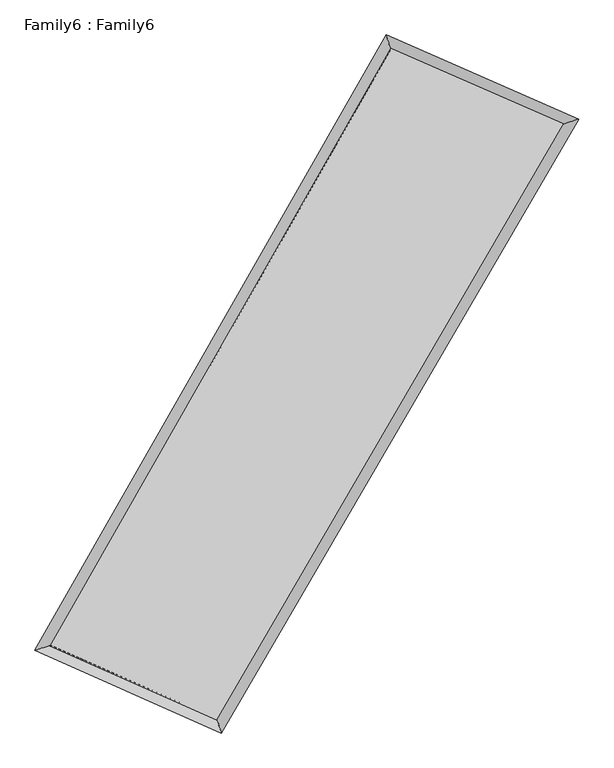
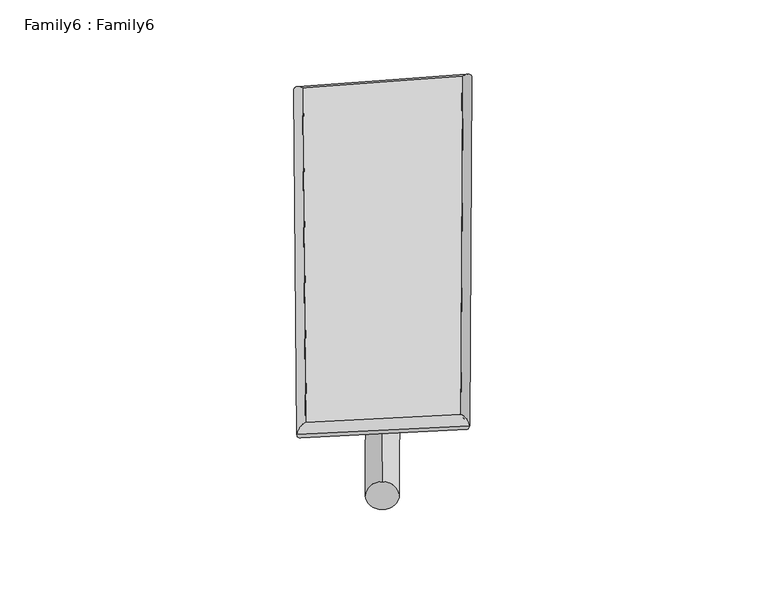
"""IFC4 building model written with IfcOpenShell, lengths in millimetres: plate geometry, Family6 : Family6."""

import ifcopenshell
import ifcopenshell.guid

model = None  # the IFC model being written
_history = None  # IfcOwnerHistory: only IFC2X3 demands one
_inside = {}  # id of a spatial element -> (the spatial element, [elements in it])
_under = {}  # id of a project, library or spatial element -> (it, [spatial elements below it])
_declared = {}  # id of a project -> (the project, [libraries it declares])
_typed = {}  # id of a type object -> (the type object, [elements of that type])
_made_of = {}  # id of a material, layer set ... -> (it, [elements and type objects made of it])


def new_model(schema):
    """Start an empty IFC model of exactly this schema.

    Asked for "IFC4X3", IfcOpenShell would pick the latest addendum, in which some entities
    have other attributes; the version numbers below select the first issue.
    IFC2X3 requires an IfcOwnerHistory on every rooted entity: one is made here for all.
    """
    global model, _history
    if schema == "IFC4X3":
        model = ifcopenshell.file(schema_version=(4, 3, 0, 0))
    else:
        model = ifcopenshell.file(schema=schema)
    _inside.clear()
    _under.clear()
    _declared.clear()
    _typed.clear()
    _made_of.clear()
    _history = None
    if model.schema == "IFC2X3":
        org = make("IfcOrganization", Name="unknown")
        user = make(
            "IfcPersonAndOrganization",
            ThePerson=make("IfcPerson", FamilyName="unknown"),
            TheOrganization=org,
        )
        app = make(
            "IfcApplication",
            ApplicationDeveloper=org,
            Version="unknown",
            ApplicationFullName="unknown",
            ApplicationIdentifier="unknown",
        )
        _history = make(
            "IfcOwnerHistory",
            OwningUser=user,
            OwningApplication=app,
            ChangeAction="ADDED",
            CreationDate=0,
        )
    return model


def make(cls, **values):
    """One entity of the class cls with the attributes given. An attribute that is None is left unset."""
    return model.create_entity(
        cls, **{name: value for name, value in values.items() if value is not None}
    )


def rooted(cls, **values):
    """An entity with a GlobalId (a new one), such as an element, a storey or a relation."""
    return make(cls, GlobalId=ifcopenshell.guid.new(), OwnerHistory=_history, **values)


def si_unit(unit_type, name, prefix=None):
    """IfcSIUnit, for example si_unit("LENGTHUNIT", "METRE", prefix="MILLI")."""
    return make("IfcSIUnit", UnitType=unit_type, Prefix=prefix, Name=name)


def assignment(units):
    """IfcUnitAssignment: the units of a project."""
    return None if units is None else make("IfcUnitAssignment", Units=units)


def point(xyz):
    """IfcCartesianPoint."""
    return None if xyz is None else make("IfcCartesianPoint", Coordinates=xyz)


def direction(xyz):
    """IfcDirection."""
    return None if xyz is None else make("IfcDirection", DirectionRatios=xyz)


def frame(location, z_axis=None, x_axis=None):
    """IfcAxis2Placement3D, a coordinate frame: its origin and axes. An axis left out is left unset."""
    return make(
        "IfcAxis2Placement3D",
        Location=point(location),
        Axis=direction(z_axis),
        RefDirection=direction(x_axis),
    )


def frame_2d(location, x_axis=None):
    """IfcAxis2Placement2D, a coordinate frame in the plane: its origin and x axis."""
    return make(
        "IfcAxis2Placement2D", Location=point(location), RefDirection=direction(x_axis)
    )


def origin():
    """The frame at (0, 0, 0) with its axes left unset."""
    return frame((0.0, 0.0, 0.0))


def origin_2d():
    """The frame at (0, 0) in the plane with its x axis left unset."""
    return frame_2d((0.0, 0.0))


def place(relative_to, where):
    """IfcLocalPlacement: puts the frame where relative to a parent placement (None: the world)."""
    return make(
        "IfcLocalPlacement", PlacementRelTo=relative_to, RelativePlacement=where
    )


def context(
    kind, dimensions, precision=None, world=None, true_north=None, identifier=None
):
    """IfcGeometricRepresentationContext, for example the 3D "Model" context."""
    return make(
        "IfcGeometricRepresentationContext",
        ContextIdentifier=identifier,
        ContextType=kind,
        CoordinateSpaceDimension=dimensions,
        Precision=precision,
        WorldCoordinateSystem=world,
        TrueNorth=true_north,
    )


def project(units=None, contexts=None):
    """IfcProject with its units and contexts."""
    return rooted(
        "IfcProject",
        Name="project",
        RepresentationContexts=contexts,
        UnitsInContext=assignment(units),
    )


def spatial(cls, under=None, at=None, **own):
    """A site, building, storey or space (cls), placed at a placement, below another one or the project."""
    s = rooted(cls, ObjectPlacement=at, **own)
    if under is not None:
        _under.setdefault(under.id(), (under, []))[1].append(s)
    return s


def circle_curve(where, radius):
    """IfcCircle in the frame where."""
    return make("IfcCircle", Position=where, Radius=radius)


def ellipse_curve(where, semi_axis1, semi_axis2):
    """IfcEllipse in the frame where."""
    return make(
        "IfcEllipse", Position=where, SemiAxis1=semi_axis1, SemiAxis2=semi_axis2
    )


def trimmed(basis, trim1, trim2, sense, master):
    """IfcTrimmedCurve: the piece of a basis curve between two trims."""
    return make(
        "IfcTrimmedCurve",
        BasisCurve=basis,
        Trim1=trim1,
        Trim2=trim2,
        SenseAgreement=sense,
        MasterRepresentation=master,
    )


def segment(curve, same_sense, transition):
    """IfcCompositeCurveSegment."""
    return make(
        "IfcCompositeCurveSegment",
        Transition=transition,
        SameSense=same_sense,
        ParentCurve=curve,
    )


def composite_curve(segments, self_intersect=None):
    """IfcCompositeCurve: segments joined end to end."""
    return make("IfcCompositeCurve", Segments=segments, SelfIntersect=self_intersect)


def outline(outer, holes=None, kind="AREA"):
    """IfcArbitraryClosedProfileDef: a profile drawn as a closed curve; with holes, ...WithVoids."""
    if holes is None:
        return make("IfcArbitraryClosedProfileDef", ProfileType=kind, OuterCurve=outer)
    return make(
        "IfcArbitraryProfileDefWithVoids",
        ProfileType=kind,
        OuterCurve=outer,
        InnerCurves=holes,
    )


def extrude(swept, where, along, depth):
    """IfcExtrudedAreaSolid: the profile swept, set in the frame where, extruded along a direction by depth."""
    return make(
        "IfcExtrudedAreaSolid",
        SweptArea=swept,
        Position=where,
        ExtrudedDirection=direction(along),
        Depth=depth,
    )


def shape(context_of_items, identifier, shape_type, items):
    """IfcShapeRepresentation: the items that make up one representation, for example the "Body"."""
    return make(
        "IfcShapeRepresentation",
        ContextOfItems=context_of_items,
        RepresentationIdentifier=identifier,
        RepresentationType=shape_type,
        Items=items,
    )


def source(mapping_origin, context_of_items, identifier, shape_type, items):
    """IfcRepresentationMap: a shape defined once, which mapped items show again and again."""
    return make(
        "IfcRepresentationMap",
        MappingOrigin=mapping_origin,
        MappedRepresentation=shape(context_of_items, identifier, shape_type, items),
    )


def transform(
    local_origin,
    x_axis=None,
    y_axis=None,
    z_axis=None,
    scale=None,
    scale2=None,
    scale3=None,
    uniform=True,
):
    """IfcCartesianTransformationOperator3D, or its non-uniform kind. x_axis, y_axis, z_axis: its Axis1, 2, 3."""
    if uniform:
        return make(
            "IfcCartesianTransformationOperator3D",
            Axis1=direction(x_axis),
            Axis2=direction(y_axis),
            LocalOrigin=point(local_origin),
            Scale=scale,
            Axis3=direction(z_axis),
        )
    return make(
        "IfcCartesianTransformationOperator3DnonUniform",
        Axis1=direction(x_axis),
        Axis2=direction(y_axis),
        LocalOrigin=point(local_origin),
        Scale=scale,
        Axis3=direction(z_axis),
        Scale2=scale2,
        Scale3=scale3,
    )


def mapped(mapping_source, mapping_target):
    """IfcMappedItem: shows the shape of a source again, moved by a transform."""
    return make(
        "IfcMappedItem", MappingSource=mapping_source, MappingTarget=mapping_target
    )


def made_of(thing, what):
    """Note that an element or type object is made of a material, layer set ...; save() writes the relation."""
    if what is not None:
        _made_of.setdefault(what.id(), (what, []))[1].append(thing)
    return thing


def element(
    cls,
    number,
    at=None,
    inside=None,
    cuts=None,
    type_object=None,
    material=None,
    context=None,
    identifier="Body",
    shape_type=None,
    held_by="IfcProductDefinitionShape",
    body=None,
    shapes=None,
    **own,
):
    """One element of the class cls, such as IfcWall. Its Tag is "e" and its number.

    at: its placement. inside: the storey or other place that contains it. cuts: it is an
    opening in that element (IfcRelVoidsElement). A single representation is given by context,
    identifier, shape_type and body (its items); several are given by shapes. held_by: the class
    of the entity that holds the representations. save() writes the other relations.
    """
    e = rooted(cls, Tag="e%d" % number, ObjectPlacement=at, **own)
    if body is not None:
        shapes = [shape(context, identifier, shape_type, body)]
    if shapes is not None:
        e.Representation = make(held_by, Representations=shapes)
    if inside is not None:
        _inside.setdefault(inside.id(), (inside, []))[1].append(e)
    if cuts is not None:
        rooted(
            "IfcRelVoidsElement", RelatingBuildingElement=cuts, RelatedOpeningElement=e
        )
    if type_object is not None:
        _typed.setdefault(type_object.id(), (type_object, []))[1].append(e)
    return made_of(e, material)


def aggregate(whole, parts):
    """IfcRelAggregates: a whole, such as a stair, and the parts it consists of."""
    return rooted("IfcRelAggregates", RelatingObject=whole, RelatedObjects=parts)


def save(model, path):
    """Write the relations noted so far, then the file.

    IfcRelAggregates (storeys below a building ...), IfcRelContainedInSpatialStructure (elements
    in a storey), IfcRelDefinesByType, IfcRelAssociatesMaterial and IfcRelDeclares: one each for
    every whole, place, type object, material and project.
    """
    for whole, parts in _under.values():
        aggregate(whole, parts)
    for where, things in _inside.values():
        rooted(
            "IfcRelContainedInSpatialStructure",
            RelatedElements=things,
            RelatingStructure=where,
        )
    for kind, things in _typed.values():
        rooted("IfcRelDefinesByType", RelatedObjects=things, RelatingType=kind)
    for what, things in _made_of.values():
        rooted("IfcRelAssociatesMaterial", RelatedObjects=things, RelatingMaterial=what)
    for by, libraries in _declared.values():
        rooted("IfcRelDeclares", RelatingContext=by, RelatedDefinitions=libraries)
    model.write(path)


def plane_surface(at):
    """IfcPlane: the flat surface through the origin of the frame at, square to its z axis."""
    return make("IfcPlane", Position=at)


def cylinder_surface(at, radius):
    """IfcCylindricalSurface: all points at the distance radius from the z axis of the frame at."""
    return make("IfcCylindricalSurface", Position=at, Radius=radius)


def spline_surface(u_degree, v_degree, points, u_multiplicities, v_multiplicities, u_knots, v_knots, weights=None):
    """IfcBSplineSurfaceWithKnots; with weights, IfcRationalBSplineSurfaceWithKnots. points: one row for each step in u."""
    own = dict(
        UDegree=u_degree,
        VDegree=v_degree,
        ControlPointsList=[[point(p) for p in row] for row in points],
        SurfaceForm="UNSPECIFIED",
        UClosed=False,
        VClosed=False,
        SelfIntersect=False,
        UMultiplicities=u_multiplicities,
        VMultiplicities=v_multiplicities,
        UKnots=u_knots,
        VKnots=v_knots,
        KnotSpec="UNSPECIFIED",
    )
    if weights is None:
        return make("IfcBSplineSurfaceWithKnots", **own)
    return make("IfcRationalBSplineSurfaceWithKnots", WeightsData=weights, **own)


def advanced_brep(points, edges, surfaces, faces):
    """IfcAdvancedBrep: a solid bounded by faces that lie on surfaces and meet in shared edges.

    An edge is (start, end): straight between two places in points (the first is 0);
    or (start, end, curve); or (start, end, curve, False) where it runs against its curve.
    A face is (place in surfaces, loops), or (place, loops, False) where it looks against
    its surface's normal. A loop lists edges by number (the first is 1), with a minus sign
    where the edge is run from its end to its start. The first loop is the outer one.
    """
    corners = [point(p) for p in points]
    vertices = [make("IfcVertexPoint", VertexGeometry=c) for c in corners]
    made = []
    for start, end, *more in edges:
        made.append(
            make(
                "IfcEdgeCurve",
                EdgeStart=vertices[start],
                EdgeEnd=vertices[end],
                EdgeGeometry=more[0] if more else make("IfcPolyline", Points=[corners[start], corners[end]]),
                SameSense=more[1] if len(more) > 1 else True,
            )
        )
    hull = []
    for where, loops, *sense in faces:
        bounds = []
        for j, loop in enumerate(loops):
            ring = [make("IfcOrientedEdge", EdgeElement=made[abs(k) - 1], Orientation=k > 0) for k in loop]
            bounds.append(
                make(
                    "IfcFaceOuterBound" if j == 0 else "IfcFaceBound",
                    Bound=make("IfcEdgeLoop", EdgeList=ring),
                    Orientation=True,
                )
            )
        hull.append(make("IfcAdvancedFace", Bounds=bounds, FaceSurface=surfaces[where], SameSense=sense[0] if sense else True))
    return make("IfcAdvancedBrep", Outer=make("IfcClosedShell", CfsFaces=hull))


def family6_family6_de30cf37(model_context):
    return source(origin(), model_context, "Body", "SolidModel", [
        extrude(outline(composite_curve([segment(trimmed(circle_curve(origin_2d(), 76.2), [point((-75.4341514, -10.7763074))], [point((75.4341514, 10.7763074))], False, "CARTESIAN"), True, "CONTINUOUS"), segment(trimmed(circle_curve(origin_2d(), 76.2), [point((75.4341514, 10.7763074))], [point((-75.4341514, -10.7763074))], False, "CARTESIAN"), True, "CONTINUOUS")], self_intersect=False)), frame((9144.0, 9144.0, 0.0), z_axis=(0.6801294100408114, 0.6834642780209633, 0.26514253952698963), x_axis=(-0.675051218881186, 0.7249280197168531, -0.1370591774250349)), (0.0, 0.0, 1.0), 5811.6148885),
        extrude(outline(composite_curve([segment(trimmed(circle_curve(origin_2d(), 76.2), [point((-53.8815367, 53.8815367))], [point((53.8815367, -53.8815367))], False, "CARTESIAN"), True, "CONTINUOUS"), segment(trimmed(circle_curve(origin_2d(), 76.2), [point((53.8815367, -53.8815367))], [point((-53.8815367, 53.8815367))], False, "CARTESIAN"), True, "CONTINUOUS")], self_intersect=False)), frame((9144.0, 9144.0, 0.0), z_axis=(-0.6748264453248473, -0.6882417885128828, 0.26633157761485854), x_axis=(0.6378447384304937, -0.3624434897051357, 0.6795504443578109)), (0.0, 0.0, 1.0), 5786.6963681),
        extrude(outline(composite_curve([segment(trimmed(circle_curve(origin_2d(), 76.2), [point((-53.8815367, -53.8815368))], [point((53.8815367, 53.8815368))], False, "CARTESIAN"), True, "CONTINUOUS"), segment(trimmed(circle_curve(origin_2d(), 76.2), [point((53.8815367, 53.8815368))], [point((-53.8815367, -53.8815368))], False, "CARTESIAN"), True, "CONTINUOUS")], self_intersect=False)), frame((9144.0, 9144.0, 0.0), z_axis=(0.2355307438708364, 0.9325914944024641, 0.27349291263180736), x_axis=(-0.8468423169529418, 0.335011297468213, -0.41306842143455835)), (0.0, 0.0, 1.0), 5504.0286964),
        extrude(outline(composite_curve([segment(trimmed(circle_curve(origin_2d(), 76.2), [point((-75.4341514, 10.7763074))], [point((75.4341514, -10.7763074))], False, "CARTESIAN"), True, "CONTINUOUS"), segment(trimmed(circle_curve(origin_2d(), 76.2), [point((75.4341514, -10.7763074))], [point((-75.4341514, 10.7763074))], False, "CARTESIAN"), True, "CONTINUOUS")], self_intersect=False)), frame((9144.0, 9144.0, 0.0), z_axis=(-0.2436328214088323, -0.9305341046648342, 0.27340323404815026), x_axis=(0.8874209648355212, -0.10014356044839119, 0.4499503288932148)), (0.0, 0.0, 1.0), 5503.7486329),
        advanced_brep(
        [(5023.1405959, 5090.5324635, 1538.8887493), (5023.1084596, 5090.4795458, 1544.5319131), (5454.8279236, 5232.1750206, 1543.4711964), (10504.8284173, 14082.5257912, 1508.6479548), (10375.907529, 14471.4949032, 1501.977724), (5454.8600599, 5232.2279383, 1537.8280327), (12878.8975572, 13044.8932709, 1540.4598637), (13314.4028538, 13187.1690769, 1541.3527969), (7740.1184281, 4217.2974626, 1505.353509), (7866.0939564, 3827.8509245, 1504.1318423)],
        [
            (0, 1, ellipse_curve(frame((5238.9842598, 5161.3537421, 1541.1799729), z_axis=(-0.3118212182811548, 0.9501140126214331, 0.007133782310661228), x_axis=(-0.9500555055463008, -0.3118850372924408, 0.011057119618405225)), 227.2391038, 152.4)),
            (1, 2, ellipse_curve(frame((5238.9842598, 5161.3537421, 1541.1799729), z_axis=(-0.3118212182811548, 0.9501140126214331, 0.007133782310661228), x_axis=(-0.9500555055463008, -0.3118850372924408, 0.011057119618405225)), 227.2391038, 152.4)),
            (2, 3),
            (3, 4, ellipse_curve(frame((10440.3679732, 14277.0103472, 1505.3128394), z_axis=(-0.9491730252384102, -0.3146984087961437, -0.0059564805833362145), x_axis=(0.31461593671177257, -0.9491464654451911, 0.011738803170447221)), 204.9175757, 152.4)),
            (4, 0),
            (2, 5, ellipse_curve(frame((5238.9842598, 5161.3537421, 1541.1799729), z_axis=(-0.3118212182811548, 0.9501140126214331, 0.007133782310661228), x_axis=(-0.9500555055463008, -0.3118850372924408, 0.011057119618405225)), 227.2391038, 152.4)),
            (5, 0, ellipse_curve(frame((5238.9842598, 5161.3537421, 1541.1799729), z_axis=(-0.3118212182811548, 0.9501140126214331, 0.007133782310661228), x_axis=(-0.9500555055463008, -0.3118850372924408, 0.011057119618405225)), 227.2391038, 152.4)),
            (4, 3, ellipse_curve(frame((10440.3679732, 14277.0103472, 1505.3128394), z_axis=(-0.9491730252384102, -0.3146984087961437, -0.0059564805833362145), x_axis=(0.31461593671177257, -0.9491464654451911, 0.011738803170447221)), 204.9175757, 152.4)),
            (3, 6),
            (6, 7, ellipse_curve(frame((13096.6502055, 13116.0311739, 1540.9063303), z_axis=(-0.3105206691113859, 0.9505434052674786, -0.006644453109427644), x_axis=(-0.9504900369904071, -0.3105767957291705, -0.010523475498878596)), 229.0892331, 152.4)),
            (7, 4),
            (7, 6, ellipse_curve(frame((13096.6502055, 13116.0311739, 1540.9063303), z_axis=(-0.3105206691113859, 0.9505434052674786, -0.006644453109427644), x_axis=(-0.9504900369904071, -0.3105767957291705, -0.010523475498878596)), 229.0892331, 152.4)),
            (6, 8),
            (8, 9, ellipse_curve(frame((7803.1061922, 4022.5741936, 1504.7426756), z_axis=(0.9514347239936783, 0.30778377435705573, -0.006412037242434821), x_axis=(-0.3076917530552372, 0.9514065574482067, 0.012302339059991485)), 204.6653493, 152.4)),
            (9, 7),
            (9, 8, ellipse_curve(frame((7803.1061922, 4022.5741936, 1504.7426756), z_axis=(0.9514347239936783, 0.30778377435705573, -0.006412037242434821), x_axis=(-0.3076917530552372, 0.9514065574482067, 0.012302339059991485)), 204.6653493, 152.4)),
            (8, 5),
            (1, 9),
        ],
        [
            cylinder_surface(frame((5238.9842598, 5161.3537421, 1541.1799729), z_axis=(-0.49559272104171925, -0.8685483152120523, 0.003417454135837803), x_axis=(-0.8684315438631826, 0.4954520716252638, -0.01881218609423059)), 152.4),
            cylinder_surface(frame((10440.3679732, 14277.0103472, 1505.3128394), z_axis=(-0.9162331663544839, 0.4004573049885041, -0.012277286075556728), x_axis=(0.40058597018772785, 0.9161949517823881, -0.010848539866021337)), 152.4),
            cylinder_surface(frame((13096.6502055, 13116.0311739, 1540.9063303), z_axis=(0.5030897869422277, 0.8642273160193557, 0.003436934739747514), x_axis=(0.8642336524356841, -0.5030897869422277, -0.0009275085452808553)), 152.4),
            cylinder_surface(frame((7803.1061922, 4022.5741936, 1504.7426756), z_axis=(0.9138442707945149, -0.4058571290719107, -0.012986127888958927), x_axis=(-0.40578895144824983, -0.913934946031429, 0.007631599115469094)), 152.4),
        ],
        [
            (0, [[1, 2, 3, 4, 5]]),
            (0, [[6, 7, -5, 8, -3]]),
            (1, [[-4, 9, 10, 11]]),
            (1, [[-8, -11, 12, -9]]),
            (2, [[-10, 13, 14, 15]]),
            (2, [[-12, -15, 16, -13]]),
            (3, [[-14, 17, -6, -2, 18]]),
            (3, [[-16, -18, -1, -7, -17]]),
        ],
    ),
        extrude(outline(composite_curve([segment(trimmed(circle_curve(origin_2d(), 304.8), [point((0.0, 304.8))], [point((0.0, -304.8))], False, "CARTESIAN"), True, "CONTINUOUS"), segment(trimmed(circle_curve(origin_2d(), 304.8), [point((0.0, -304.8))], [point((0.0, 304.8))], False, "CARTESIAN"), True, "CONTINUOUS")], self_intersect=False)), frame((11794.342027, 13708.9527039, -0.0159313), z_axis=(-0.5020964599303707, -0.8648116239484067, 3.018125701641634e-06), x_axis=(-0.8648116239532916, 0.5020964599303708, -8.126237583239436e-07)), (0.0, 0.0, 1.0), 10557.1030211),
        advanced_brep(
        [(5238.9842598, 5161.3537421, 1541.1799729), (7803.1061922, 4022.5741936, 1504.7426756), (7803.0979071, 4022.5760012, 1657.1426754), (5238.9759746, 5161.3555497, 1693.5799726), (13096.6502055, 13116.0311739, 1540.9063303), (13096.6419204, 13116.0329816, 1693.3063301), (10440.3679732, 14277.0103472, 1505.3128394), (10440.359688, 14277.0121549, 1657.7128392)],
        [
            (0, 1),
            (1, 2),
            (2, 3),
            (3, 0),
            (1, 4),
            (4, 5),
            (5, 2),
            (4, 6),
            (6, 7),
            (7, 5),
            (6, 0),
            (3, 7),
        ],
        [
            plane_surface(frame((6521.045226, 4591.9639678, 1522.9613243), z_axis=(-0.40589148839250433, -0.9139212764371448, -1.1225765941670456e-05), x_axis=(0.9138442707945145, -0.4058571290719111, -0.01298612788895892))),
            plane_surface(frame((10449.8781989, 8569.3026837, 1522.824503), z_axis=(0.8642323276466753, -0.5030929149238892, 5.295086716748773e-05), x_axis=(0.5030897869422281, 0.8642273160193552, 0.0034369347397475193))),
            plane_surface(frame((11768.5090893, 13696.5207606, 1523.1095848), z_axis=(0.4004873665198866, 0.916302280439744, 1.0903731941682218e-05), x_axis=(-0.9162331663544838, 0.40045730498850446, -0.01227728607555673))),
            plane_surface(frame((7839.6761165, 9719.1820446, 1523.2464061), z_axis=(-0.8685534758462206, 0.4955954567751535, -5.3096854368327694e-05), x_axis=(-0.49559272104171914, -0.8685483152120521, 0.003417454135837804))),
            spline_surface(1, 1, [[(7803.0979071, 4022.5760012, 1657.1426754), (5238.9759746, 5161.3555497, 1693.5799726)], [(13096.6419204, 13116.0329816, 1693.3063301), (10440.359688, 14277.0121549, 1657.7128392)]], [2, 2], [2, 2], [0.0, 1.0], [0.0, 1.0]),
            spline_surface(1, 1, [[(10440.3679732, 14277.0103472, 1505.3128394), (5238.9842598, 5161.3537421, 1541.1799729)], [(13096.6502055, 13116.0311739, 1540.9063303), (7803.1061922, 4022.5741936, 1504.7426756)]], [2, 2], [2, 2], [0.0, 1.0], [0.0, 1.0]),
        ],
        [
            (0, [[1, 2, 3, 4]]),
            (1, [[5, 6, 7, -2]]),
            (2, [[8, 9, 10, -6]]),
            (3, [[11, -4, 12, -9]]),
            (4, [[-3, -7, -10, -12]]),
            (5, [[-11, -8, -5, -1]]),
        ],
    ),
    ])


if __name__ == "__main__":
    model = new_model("IFC4")
    model_context = context("Model", 3, world=origin())
    ifc_project = project(units=[si_unit("LENGTHUNIT", "METRE", prefix="MILLI")], contexts=[model_context])
    site = spatial("IfcSite", under=ifc_project)
    building = spatial("IfcBuilding", under=site)
    placement = place(None, origin())
    family6_family6_shape = family6_family6_de30cf37(model_context)
    element("IfcPlate", 1, ObjectType="Family6 : Family6", at=placement, inside=building, context=model_context, shape_type="MappedRepresentation", body=[
        mapped(family6_family6_shape, transform((0.0, 0.0, 0.0), x_axis=(1.0, 0.0, 0.0), y_axis=(0.0, 1.0, 0.0), z_axis=(0.0, 0.0, 1.0))),
    ])
    save(model, "model.ifc")
